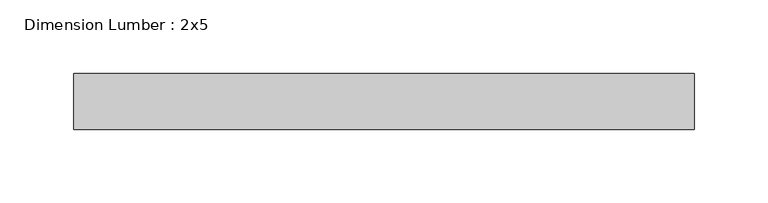
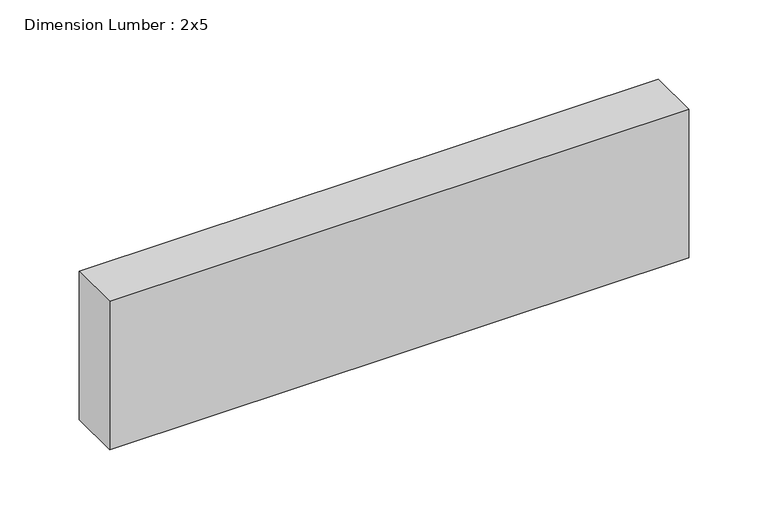
"""IFC4 building model written with IfcOpenShell, lengths in millimetres: beam geometry, Dimension Lumber : 2x5."""

from ifc_helpers import new_model, si_unit, frame, origin, place, context, project, spatial, polyline, outline, extrude, source, transform, mapped, element, save


def dimension_lumber_2x5_1885ea5a(model_context):
    return source(origin(), model_context, "Body", "SweptSolid", [
        extrude(outline(polyline([(212.9383619, 19.05), (212.9383619, -19.05), (-208.6137463, -19.05), (-208.6137463, 19.05), (212.9383619, 19.05)])), frame((0.0, 0.0, -57.15), z_axis=(0.0, 0.0, 1.0), x_axis=(1.0, 0.0, 0.0)), (0.0, 0.0, 1.0), 114.3),
    ])


if __name__ == "__main__":
    model = new_model("IFC4")
    model_context = context("Model", 3, world=origin())
    ifc_project = project(units=[si_unit("LENGTHUNIT", "METRE", prefix="MILLI")], contexts=[model_context])
    site = spatial("IfcSite", under=ifc_project)
    building = spatial("IfcBuilding", under=site)
    placement = place(None, origin())
    dimension_lumber_2x5_shape = dimension_lumber_2x5_1885ea5a(model_context)
    element("IfcBeam", 1, ObjectType="Dimension Lumber : 2x5", at=placement, inside=building, context=model_context, shape_type="MappedRepresentation", body=[
        mapped(dimension_lumber_2x5_shape, transform((0.0, 0.0, 0.0), x_axis=(1.0, 0.0, 0.0), y_axis=(0.0, 1.0, 0.0), z_axis=(0.0, 0.0, 1.0))),
    ])
    save(model, "model.ifc")
